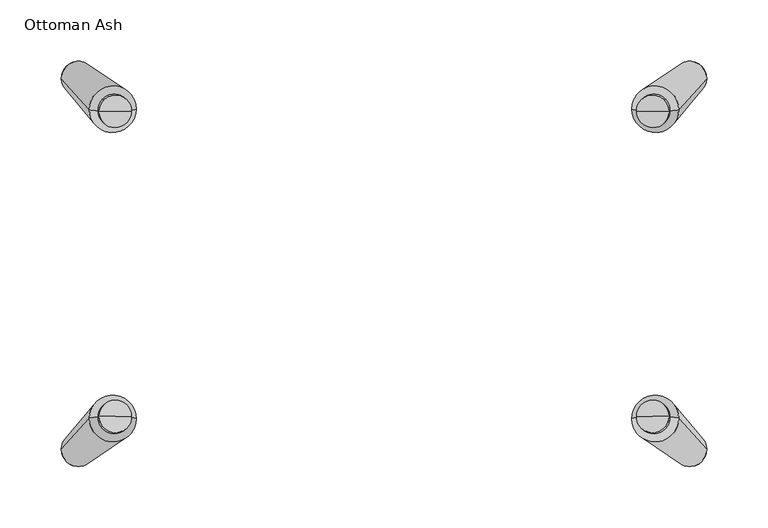
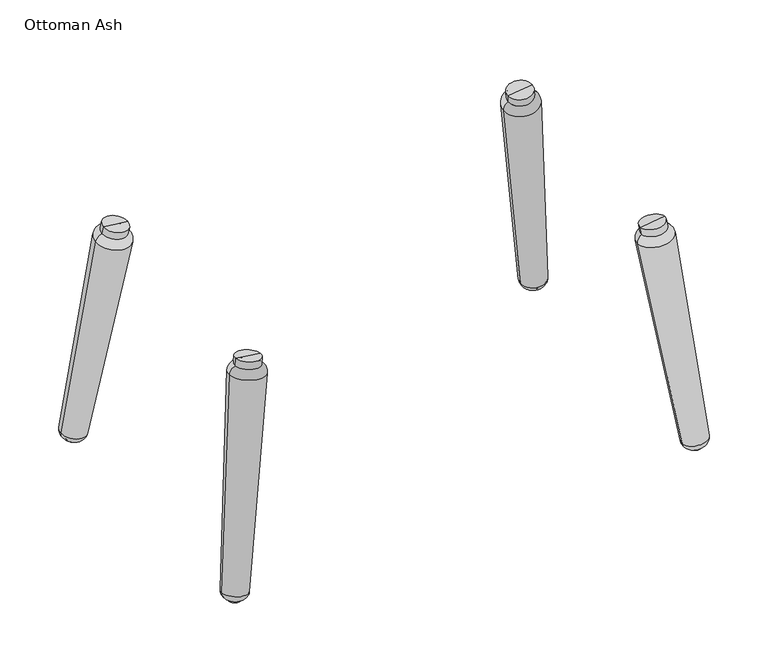
"""IFC4 building model written with IfcOpenShell, lengths in millimetres: furniture geometry, Ottoman Ash."""

from ifc_helpers import new_model, si_unit, point, frame, origin, place, context, project, spatial, circle_curve, ellipse_curve, trimmed, source, transform, mapped, element, save
from ifc_brep_helpers import plane_surface, cylinder_surface, revolved_surface, advanced_brep


def ottoman_ash_c302a8ca(model_context):
    return source(origin(), model_context, "Body", "AdvancedBrep", [
        advanced_brep(
        [(202.0126849, 126.4446062, 235.3753679), (239.9874045, 125.9223667, 240.0380771), (262.8022365, 151.2418299, 13.978389), (235.2484559, 151.6207576, 10.5952101), (206.7135706, 125.442583, 244.321729), (233.2368173, 125.0778275, 247.5783743), (205.7392558, 124.5648293, 252.1585748), (232.2625025, 124.2000738, 255.41522), (219.0008791, 124.3824515, 253.7868974), (242.3939543, 152.3749799, 3.8612891), (257.5208247, 152.1669507, 5.7186353), (250.5261831, 152.7833877, 0.2149029), (241.2346383, 152.3909231, 3.718943), (258.6801407, 152.1510075, 5.8609814)],
        [
            (0, 1, circle_curve(frame((221.0000447, 126.1834865, 237.7067225), z_axis=(0.12261994994802575, 0.1104674951840009, -0.9862866116816736), x_axis=(0.9924537006202072, -0.013648514506904514, 0.12185799184711342)), 19.1317336)),
            (1, 2, circle_curve(frame((-3442.8950304, 179.8243388, -241.2147416), z_axis=(0.0, 0.9937860184967025, 0.11130745455930816), x_axis=(-1.0000000000000002, 0.0, 0.0)), 3714.5837893)),
            (2, 3, circle_curve(frame((249.0253462, 151.4312937, 12.2867996), z_axis=(-0.12261994994802575, -0.1104674951840009, 0.9862866116816736), x_axis=(0.9924537006202072, -0.013648514506904514, 0.12185799184711342)), 13.8816453)),
            (3, 0, circle_curve(frame((3892.0102081, 78.9525697, 659.3983774), z_axis=(0.0, 0.9937860184967025, 0.11130745455930854), x_axis=(0.9699286957494875, -0.02709103746069511, 0.24187682991762907)), 3714.5837893)),
            (1, 0, circle_curve(frame((221.0000447, 126.1834865, 237.7067225), z_axis=(0.12261994994802575, 0.1104674951840009, -0.9862866116816736), x_axis=(0.9924537006202072, -0.013648514506904514, 0.12185799184711342)), 19.1317336)),
            (3, 2, circle_curve(frame((249.0253462, 151.4312937, 12.2867996), z_axis=(-0.12261994994802575, -0.1104674951840009, 0.9862866116816736), x_axis=(0.9924537006202072, -0.013648514506904514, 0.12185799184711342)), 13.8816453)),
            (4, 5, circle_curve(frame((219.9751939, 125.2602052, 245.9500516), z_axis=(0.12261994994802575, 0.1104674951840009, -0.9862866116816736), x_axis=(0.9924537006202072, -0.013648514506904514, 0.12185799184711342)), 13.3624605)),
            (5, 1, circle_curve(frame((231.0232737, 126.0535641, 238.8667084), z_axis=(0.0, 0.9937860184967025, 0.11130745455930816), x_axis=(-1.0000000000000002, 0.0, 0.0)), 9.0412918)),
            (0, 4, circle_curve(frame((210.9941338, 126.3290107, 236.4074393), z_axis=(0.0, 0.9937860184967025, 0.11130745455930854), x_axis=(0.9699286957494875, -0.02709103746069511, 0.24187682991762907)), 9.0412918)),
            (5, 4, circle_curve(frame((219.9751939, 125.2602052, 245.9500516), z_axis=(0.12261994994802575, 0.1104674951840009, -0.9862866116816736), x_axis=(0.9924537006202072, -0.013648514506904514, 0.12185799184711342)), 13.3624605)),
            (6, 7, circle_curve(frame((219.0008791, 124.3824515, 253.7868974), z_axis=(0.12261994994802575, 0.1104674951840009, -0.9862866116816736), x_axis=(0.9924537006202072, -0.013648514506904514, 0.12185799184711342)), 13.3624605)),
            (7, 5),
            (4, 6),
            (7, 6, circle_curve(frame((219.0008791, 124.3824515, 253.7868974), z_axis=(0.12261994994802575, 0.1104674951840009, -0.9862866116816736), x_axis=(0.9924537006202072, -0.013648514506904514, 0.12185799184711342)), 13.3624605)),
            (8, 7),
            (6, 8),
            (9, 10, circle_curve(frame((249.9573895, 152.2709653, 4.7899622), z_axis=(0.12261994994802575, 0.1104674951840009, -0.9862866116816736), x_axis=(0.9924537006202072, -0.013648514506904514, 0.12185799184711342)), 7.6209451)),
            (10, 11, circle_curve(frame((249.6006117, 151.8533965, 8.5181404), z_axis=(0.0, 0.9937860184967025, 0.11130745455930816), x_axis=(-1.0000000000000002, 0.0, 0.0)), 8.4062666)),
            (11, 9, circle_curve(frame((249.3903662, 151.8562879, 8.4923255), z_axis=(0.0, 0.9937860184967025, 0.11130745455930854), x_axis=(0.9699286957494875, -0.02709103746069511, 0.24187682991762907)), 8.4062666)),
            (10, 9, circle_curve(frame((249.9573895, 152.2709653, 4.7899622), z_axis=(0.12261994994802575, 0.1104674951840009, -0.9862866116816736), x_axis=(0.9924537006202072, -0.013648514506904514, 0.12185799184711342)), 7.6209451)),
            (12, 13, circle_curve(frame((249.9573895, 152.2709653, 4.7899622), z_axis=(0.12261994994802575, 0.1104674951840009, -0.9862866116816736), x_axis=(0.9924537006202072, -0.013648514506904514, 0.12185799184711342)), 8.7890762)),
            (13, 10),
            (9, 12),
            (13, 12, circle_curve(frame((249.9573895, 152.2709653, 4.7899622), z_axis=(0.12261994994802575, 0.1104674951840009, -0.9862866116816736), x_axis=(0.9924537006202072, -0.013648514506904514, 0.12185799184711342)), 8.7890762)),
            (2, 13, circle_curve(frame((253.8742775, 151.3106924, 13.3635644), z_axis=(0.0, 0.9937860184967025, 0.11130745455930816), x_axis=(-1.0000000000000002, 0.0, 0.0)), 8.9493688)),
            (12, 3, circle_curve(frame((244.0585169, 151.4456816, 12.1583405), z_axis=(0.0, 0.9937860184967025, 0.11130745455930854), x_axis=(0.9699286957494875, -0.02709103746069511, 0.24187682991762907)), 8.9493688)),
        ],
        [
            revolved_surface(trimmed(ellipse_curve(frame((-3442.8950304, 179.8243388, -241.2147416), z_axis=(0.0, -0.9937860184967025, -0.11130745455930816), x_axis=(-1.0000000000000002, 0.0, 0.0)), 3714.5837893, 3714.5837893), [point((262.8022365, 151.2418299, 13.978389))], [point((239.9874045, 125.9223667, 240.0380771))], True, "CARTESIAN"), (250.5261831, 152.7833877, 0.2149029), (-0.12261994994802575, -0.1104674951840009, 0.9862866116816736)),
            revolved_surface(trimmed(ellipse_curve(frame((-3442.8950304, 179.8243388, -241.2147416), z_axis=(0.0, -0.9937860184967022, -0.11130745455930813), x_axis=(-1.0000000000000002, 0.0, 0.0)), 3714.5837893, 3714.5837893), [point((262.8022365, 151.2418299, 13.978389))], [point((239.9874045, 125.9223667, 240.0380771))], True, "CARTESIAN"), (250.5261831, 152.7833877, 0.2149029), (-0.12261994994802575, -0.1104674951840009, 0.9862866116816736)),
            revolved_surface(trimmed(ellipse_curve(frame((231.0232737, 126.0535641, 238.8667084), z_axis=(0.0, -0.9937860184967025, -0.11130745455930816), x_axis=(-1.0000000000000002, 0.0, 0.0)), 9.0412918, 9.0412918), [point((239.9874045, 125.9223667, 240.0380771))], [point((233.2368173, 125.0778275, 247.5783743))], True, "CARTESIAN"), (250.5261831, 152.7833877, 0.2149029), (-0.12261994994802575, -0.1104674951840009, 0.9862866116816736)),
            revolved_surface(trimmed(ellipse_curve(frame((231.0232737, 126.0535641, 238.8667084), z_axis=(0.0, -0.9937860184967022, -0.11130745455930813), x_axis=(-1.0000000000000002, 0.0, 0.0)), 9.0412918, 9.0412918), [point((239.9874045, 125.9223667, 240.0380771))], [point((233.2368173, 125.0778275, 247.5783743))], True, "CARTESIAN"), (250.5261831, 152.7833877, 0.2149029), (-0.12261994994802575, -0.1104674951840009, 0.9862866116816736)),
            cylinder_surface(frame((250.5261831, 152.7833877, 0.2149029), z_axis=(-0.12261994994802575, -0.1104674951840009, 0.9862866116816736), x_axis=(0.9924537006202072, -0.013648514506904514, 0.12185799184711342)), 13.3624605),
            plane_surface(frame((219.0008791, 124.3824515, 253.7868974), z_axis=(-0.12261994994802577, -0.11046749518400091, 0.9862866116816739), x_axis=(0.9924537006202072, -0.013648514506904514, 0.12185799184711342))),
            revolved_surface(trimmed(ellipse_curve(frame((249.6006117, 151.8533965, 8.5181404), z_axis=(0.0, -0.9937860184967025, -0.11130745455930816), x_axis=(-1.0000000000000002, 0.0, 0.0)), 8.4062666, 8.4062666), [point((250.5261831, 152.7833877, 0.2149029))], [point((257.5208247, 152.1669507, 5.7186353))], True, "CARTESIAN"), (250.5261831, 152.7833877, 0.2149029), (-0.12261994994802575, -0.1104674951840009, 0.9862866116816736)),
            revolved_surface(trimmed(ellipse_curve(frame((249.6006117, 151.8533965, 8.5181404), z_axis=(0.0, -0.9937860184967022, -0.11130745455930813), x_axis=(-1.0000000000000002, 0.0, 0.0)), 8.4062666, 8.4062666), [point((250.5261831, 152.7833877, 0.2149029))], [point((257.5208247, 152.1669507, 5.7186353))], True, "CARTESIAN"), (250.5261831, 152.7833877, 0.2149029), (-0.12261994994802575, -0.1104674951840009, 0.9862866116816736)),
            plane_surface(frame((249.9573895, 152.2709653, 4.7899622), z_axis=(0.12261994994802577, 0.11046749518400091, -0.9862866116816739), x_axis=(0.9924537006202072, -0.013648514506904514, 0.12185799184711342))),
            revolved_surface(trimmed(ellipse_curve(frame((253.8742775, 151.3106924, 13.3635644), z_axis=(0.0, -0.9937860184967025, -0.11130745455930816), x_axis=(-1.0000000000000002, 0.0, 0.0)), 8.9493688, 8.9493688), [point((258.6801407, 152.1510075, 5.8609814))], [point((262.8022365, 151.2418299, 13.978389))], True, "CARTESIAN"), (250.5261831, 152.7833877, 0.2149029), (-0.12261994994802575, -0.1104674951840009, 0.9862866116816736)),
            revolved_surface(trimmed(ellipse_curve(frame((253.8742775, 151.3106924, 13.3635644), z_axis=(0.0, -0.9937860184967022, -0.11130745455930813), x_axis=(-1.0000000000000002, 0.0, 0.0)), 8.9493688, 8.9493688), [point((258.6801407, 152.1510075, 5.8609814))], [point((262.8022365, 151.2418299, 13.978389))], True, "CARTESIAN"), (250.5261831, 152.7833877, 0.2149029), (-0.12261994994802575, -0.1104674951840009, 0.9862866116816736)),
        ],
        [
            (0, [[1, 2, 3, 4]]),
            (1, [[5, -4, 6, -2]]),
            (2, [[7, 8, -1, 9]]),
            (3, [[10, -9, -5, -8]]),
            (4, [[11, 12, -7, 13]]),
            (4, [[14, -13, -10, -12]]),
            (5, [[15, -11, 16]]),
            (5, [[-16, -14, -15]]),
            (6, [[17, 18, 19]]),
            (7, [[20, -19, -18]]),
            (8, [[21, 22, -17, 23]]),
            (8, [[24, -23, -20, -22]]),
            (9, [[-3, 25, -21, 26]]),
            (10, [[-6, -26, -24, -25]]),
        ],
    ),
        advanced_brep(
        [(235.2484559, -151.6207576, 10.5952101), (262.8022365, -151.2418299, 13.978389), (239.9874045, -125.9223667, 240.0380771), (202.0126849, -126.4446062, 235.3753679), (233.2368173, -125.0778275, 247.5783743), (206.7135706, -125.442583, 244.321729), (232.2625025, -124.2000738, 255.41522), (205.7392558, -124.5648293, 252.1585748), (219.0008791, -124.3824515, 253.7868974), (250.5261831, -152.7833877, 0.2149029), (257.5208247, -152.1669507, 5.7186353), (242.3939543, -152.3749799, 3.8612891), (258.6801407, -152.1510075, 5.8609814), (241.2346383, -152.3909231, 3.718943)],
        [
            (0, 1, circle_curve(frame((249.0253462, -151.4312937, 12.2867996), z_axis=(-0.12261994994802575, 0.1104674951840009, 0.9862866116816736), x_axis=(0.9924537006202072, 0.013648514506904514, 0.12185799184711342)), 13.8816453)),
            (1, 2, circle_curve(frame((-3442.8950304, -179.8243388, -241.2147416), z_axis=(0.0, -0.9937860184967025, 0.11130745455930816), x_axis=(-1.0000000000000002, 0.0, 0.0)), 3714.5837893)),
            (2, 3, circle_curve(frame((221.0000447, -126.1834865, 237.7067225), z_axis=(0.12261994994802575, -0.1104674951840009, -0.9862866116816736), x_axis=(0.9924537006202072, 0.013648514506904514, 0.12185799184711342)), 19.1317336)),
            (3, 0, circle_curve(frame((3892.0102081, -78.9525697, 659.3983774), z_axis=(0.0, -0.9937860184967025, 0.11130745455930854), x_axis=(0.9699286957494875, 0.02709103746069511, 0.24187682991762907)), 3714.5837893)),
            (1, 0, circle_curve(frame((249.0253462, -151.4312937, 12.2867996), z_axis=(-0.12261994994802575, 0.1104674951840009, 0.9862866116816736), x_axis=(0.9924537006202072, 0.013648514506904514, 0.12185799184711342)), 13.8816453)),
            (3, 2, circle_curve(frame((221.0000447, -126.1834865, 237.7067225), z_axis=(0.12261994994802575, -0.1104674951840009, -0.9862866116816736), x_axis=(0.9924537006202072, 0.013648514506904514, 0.12185799184711342)), 19.1317336)),
            (2, 4, circle_curve(frame((231.0232737, -126.0535641, 238.8667084), z_axis=(0.0, -0.9937860184967025, 0.11130745455930816), x_axis=(-1.0000000000000002, 0.0, 0.0)), 9.0412918)),
            (4, 5, circle_curve(frame((219.9751939, -125.2602052, 245.9500516), z_axis=(0.12261994994802575, -0.1104674951840009, -0.9862866116816736), x_axis=(0.9924537006202072, 0.013648514506904514, 0.12185799184711342)), 13.3624605)),
            (5, 3, circle_curve(frame((210.9941338, -126.3290107, 236.4074393), z_axis=(0.0, -0.9937860184967025, 0.11130745455930854), x_axis=(0.9699286957494875, 0.02709103746069511, 0.24187682991762907)), 9.0412918)),
            (5, 4, circle_curve(frame((219.9751939, -125.2602052, 245.9500516), z_axis=(0.12261994994802575, -0.1104674951840009, -0.9862866116816736), x_axis=(0.9924537006202072, 0.013648514506904514, 0.12185799184711342)), 13.3624605)),
            (4, 6),
            (6, 7, circle_curve(frame((219.0008791, -124.3824515, 253.7868974), z_axis=(0.12261994994802575, -0.1104674951840009, -0.9862866116816736), x_axis=(0.9924537006202072, 0.013648514506904514, 0.12185799184711342)), 13.3624605)),
            (7, 5),
            (7, 6, circle_curve(frame((219.0008791, -124.3824515, 253.7868974), z_axis=(0.12261994994802575, -0.1104674951840009, -0.9862866116816736), x_axis=(0.9924537006202072, 0.013648514506904514, 0.12185799184711342)), 13.3624605)),
            (6, 8),
            (8, 7),
            (9, 10, circle_curve(frame((249.6006117, -151.8533965, 8.5181404), z_axis=(0.0, -0.9937860184967025, 0.11130745455930816), x_axis=(-1.0000000000000002, 0.0, 0.0)), 8.4062666)),
            (10, 11, circle_curve(frame((249.9573895, -152.2709653, 4.7899622), z_axis=(0.12261994994802575, -0.1104674951840009, -0.9862866116816736), x_axis=(0.9924537006202072, 0.013648514506904514, 0.12185799184711342)), 7.6209451)),
            (11, 9, circle_curve(frame((249.3903662, -151.8562879, 8.4923255), z_axis=(0.0, -0.9937860184967025, 0.11130745455930854), x_axis=(0.9699286957494875, 0.02709103746069511, 0.24187682991762907)), 8.4062666)),
            (11, 10, circle_curve(frame((249.9573895, -152.2709653, 4.7899622), z_axis=(0.12261994994802575, -0.1104674951840009, -0.9862866116816736), x_axis=(0.9924537006202072, 0.013648514506904514, 0.12185799184711342)), 7.6209451)),
            (10, 12),
            (12, 13, circle_curve(frame((249.9573895, -152.2709653, 4.7899622), z_axis=(0.12261994994802575, -0.1104674951840009, -0.9862866116816736), x_axis=(0.9924537006202072, 0.013648514506904514, 0.12185799184711342)), 8.7890762)),
            (13, 11),
            (13, 12, circle_curve(frame((249.9573895, -152.2709653, 4.7899622), z_axis=(0.12261994994802575, -0.1104674951840009, -0.9862866116816736), x_axis=(0.9924537006202072, 0.013648514506904514, 0.12185799184711342)), 8.7890762)),
            (12, 1, circle_curve(frame((253.8742775, -151.3106924, 13.3635644), z_axis=(0.0, -0.9937860184967025, 0.11130745455930816), x_axis=(-1.0000000000000002, 0.0, 0.0)), 8.9493688)),
            (0, 13, circle_curve(frame((244.0585169, -151.4456816, 12.1583405), z_axis=(0.0, -0.9937860184967025, 0.11130745455930854), x_axis=(0.9699286957494875, 0.02709103746069511, 0.24187682991762907)), 8.9493688)),
        ],
        [
            revolved_surface(trimmed(ellipse_curve(frame((-3442.8950304, -179.8243388, -241.2147416), z_axis=(0.0, 0.9937860184967025, -0.11130745455930816), x_axis=(-1.0000000000000002, 0.0, 0.0)), 3714.5837893, 3714.5837893), [point((239.9874045, -125.9223667, 240.0380771))], [point((262.8022365, -151.2418299, 13.978389))], True, "CARTESIAN"), (250.5261831, -152.7833877, 0.2149029), (0.12261994994802575, -0.1104674951840009, -0.9862866116816736)),
            revolved_surface(trimmed(ellipse_curve(frame((-3442.8950304, -179.8243388, -241.2147416), z_axis=(0.0, 0.9937860184967022, -0.11130745455930813), x_axis=(-1.0000000000000002, 0.0, 0.0)), 3714.5837893, 3714.5837893), [point((239.9874045, -125.9223667, 240.0380771))], [point((262.8022365, -151.2418299, 13.978389))], True, "CARTESIAN"), (250.5261831, -152.7833877, 0.2149029), (0.12261994994802575, -0.1104674951840009, -0.9862866116816736)),
            revolved_surface(trimmed(ellipse_curve(frame((231.0232737, -126.0535641, 238.8667084), z_axis=(0.0, 0.9937860184967025, -0.11130745455930816), x_axis=(-1.0000000000000002, 0.0, 0.0)), 9.0412918, 9.0412918), [point((233.2368173, -125.0778275, 247.5783743))], [point((239.9874045, -125.9223667, 240.0380771))], True, "CARTESIAN"), (250.5261831, -152.7833877, 0.2149029), (0.12261994994802575, -0.1104674951840009, -0.9862866116816736)),
            revolved_surface(trimmed(ellipse_curve(frame((231.0232737, -126.0535641, 238.8667084), z_axis=(0.0, 0.9937860184967022, -0.11130745455930813), x_axis=(-1.0000000000000002, 0.0, 0.0)), 9.0412918, 9.0412918), [point((233.2368173, -125.0778275, 247.5783743))], [point((239.9874045, -125.9223667, 240.0380771))], True, "CARTESIAN"), (250.5261831, -152.7833877, 0.2149029), (0.12261994994802575, -0.1104674951840009, -0.9862866116816736)),
            cylinder_surface(frame((250.5261831, -152.7833877, 0.2149029), z_axis=(0.12261994994802575, -0.1104674951840009, -0.9862866116816736), x_axis=(0.9924537006202072, 0.013648514506904514, 0.12185799184711342)), 13.3624605),
            plane_surface(frame((219.0008791, -124.3824515, 253.7868974), z_axis=(-0.12261994994802577, 0.11046749518400091, 0.9862866116816739), x_axis=(0.9924537006202072, 0.013648514506904514, 0.12185799184711342))),
            revolved_surface(trimmed(ellipse_curve(frame((249.6006117, -151.8533965, 8.5181404), z_axis=(0.0, 0.9937860184967025, -0.11130745455930816), x_axis=(-1.0000000000000002, 0.0, 0.0)), 8.4062666, 8.4062666), [point((257.5208247, -152.1669507, 5.7186353))], [point((250.5261831, -152.7833877, 0.2149029))], True, "CARTESIAN"), (250.5261831, -152.7833877, 0.2149029), (0.12261994994802575, -0.1104674951840009, -0.9862866116816736)),
            revolved_surface(trimmed(ellipse_curve(frame((249.6006117, -151.8533965, 8.5181404), z_axis=(0.0, 0.9937860184967022, -0.11130745455930813), x_axis=(-1.0000000000000002, 0.0, 0.0)), 8.4062666, 8.4062666), [point((257.5208247, -152.1669507, 5.7186353))], [point((250.5261831, -152.7833877, 0.2149029))], True, "CARTESIAN"), (250.5261831, -152.7833877, 0.2149029), (0.12261994994802575, -0.1104674951840009, -0.9862866116816736)),
            plane_surface(frame((249.9573895, -152.2709653, 4.7899622), z_axis=(0.12261994994802577, -0.11046749518400091, -0.9862866116816739), x_axis=(0.9924537006202072, 0.013648514506904514, 0.12185799184711342))),
            revolved_surface(trimmed(ellipse_curve(frame((253.8742775, -151.3106924, 13.3635644), z_axis=(0.0, 0.9937860184967025, -0.11130745455930816), x_axis=(-1.0000000000000002, 0.0, 0.0)), 8.9493688, 8.9493688), [point((262.8022365, -151.2418299, 13.978389))], [point((258.6801407, -152.1510075, 5.8609814))], True, "CARTESIAN"), (250.5261831, -152.7833877, 0.2149029), (0.12261994994802575, -0.1104674951840009, -0.9862866116816736)),
            revolved_surface(trimmed(ellipse_curve(frame((253.8742775, -151.3106924, 13.3635644), z_axis=(0.0, 0.9937860184967022, -0.11130745455930813), x_axis=(-1.0000000000000002, 0.0, 0.0)), 8.9493688, 8.9493688), [point((262.8022365, -151.2418299, 13.978389))], [point((258.6801407, -152.1510075, 5.8609814))], True, "CARTESIAN"), (250.5261831, -152.7833877, 0.2149029), (0.12261994994802575, -0.1104674951840009, -0.9862866116816736)),
        ],
        [
            (0, [[1, 2, 3, 4]]),
            (1, [[5, -4, 6, -2]]),
            (2, [[-3, 7, 8, 9]]),
            (3, [[-6, -9, 10, -7]]),
            (4, [[-8, 11, 12, 13]]),
            (4, [[-10, -13, 14, -11]]),
            (5, [[-12, 15, 16]]),
            (5, [[-14, -16, -15]]),
            (6, [[17, 18, 19]]),
            (7, [[-19, 20, -17]]),
            (8, [[-18, 21, 22, 23]]),
            (8, [[-20, -23, 24, -21]]),
            (9, [[-22, 25, -1, 26]]),
            (10, [[-24, -26, -5, -25]]),
        ],
    ),
        advanced_brep(
        [(-235.2484559, 151.6207576, 10.5952101), (-262.8022365, 151.2418299, 13.978389), (-239.9874045, 125.9223667, 240.0380771), (-202.0126849, 126.4446062, 235.3753679), (-233.2368173, 125.0778275, 247.5783743), (-206.7135706, 125.442583, 244.321729), (-232.2625025, 124.2000738, 255.41522), (-205.7392558, 124.5648293, 252.1585748), (-219.0008791, 124.3824515, 253.7868974), (-250.5261831, 152.7833877, 0.2149029), (-257.5208247, 152.1669507, 5.7186353), (-242.3939543, 152.3749799, 3.8612891), (-258.6801407, 152.1510075, 5.8609814), (-241.2346383, 152.3909231, 3.718943)],
        [
            (0, 1, circle_curve(frame((-249.0253462, 151.4312937, 12.2867996), z_axis=(0.12261994994802575, -0.1104674951840009, 0.9862866116816736), x_axis=(-0.9924537006202072, -0.013648514506904514, 0.12185799184711342)), 13.8816453)),
            (1, 2, circle_curve(frame((3442.8950304, 179.8243388, -241.2147416), z_axis=(0.0, 0.9937860184967025, 0.11130745455930816), x_axis=(1.0000000000000002, 0.0, 0.0)), 3714.5837893)),
            (2, 3, circle_curve(frame((-221.0000447, 126.1834865, 237.7067225), z_axis=(-0.12261994994802575, 0.1104674951840009, -0.9862866116816736), x_axis=(-0.9924537006202072, -0.013648514506904514, 0.12185799184711342)), 19.1317336)),
            (3, 0, circle_curve(frame((-3892.0102081, 78.9525697, 659.3983774), z_axis=(0.0, 0.9937860184967025, 0.11130745455930854), x_axis=(-0.9699286957494875, -0.02709103746069511, 0.24187682991762907)), 3714.5837893)),
            (1, 0, circle_curve(frame((-249.0253462, 151.4312937, 12.2867996), z_axis=(0.12261994994802575, -0.1104674951840009, 0.9862866116816736), x_axis=(-0.9924537006202072, -0.013648514506904514, 0.12185799184711342)), 13.8816453)),
            (3, 2, circle_curve(frame((-221.0000447, 126.1834865, 237.7067225), z_axis=(-0.12261994994802575, 0.1104674951840009, -0.9862866116816736), x_axis=(-0.9924537006202072, -0.013648514506904514, 0.12185799184711342)), 19.1317336)),
            (2, 4, circle_curve(frame((-231.0232737, 126.0535641, 238.8667084), z_axis=(0.0, 0.9937860184967025, 0.11130745455930816), x_axis=(1.0000000000000002, 0.0, 0.0)), 9.0412918)),
            (4, 5, circle_curve(frame((-219.9751939, 125.2602052, 245.9500516), z_axis=(-0.12261994994802575, 0.1104674951840009, -0.9862866116816736), x_axis=(-0.9924537006202072, -0.013648514506904514, 0.12185799184711342)), 13.3624605)),
            (5, 3, circle_curve(frame((-210.9941338, 126.3290107, 236.4074393), z_axis=(0.0, 0.9937860184967025, 0.11130745455930854), x_axis=(-0.9699286957494875, -0.02709103746069511, 0.24187682991762907)), 9.0412918)),
            (5, 4, circle_curve(frame((-219.9751939, 125.2602052, 245.9500516), z_axis=(-0.12261994994802575, 0.1104674951840009, -0.9862866116816736), x_axis=(-0.9924537006202072, -0.013648514506904514, 0.12185799184711342)), 13.3624605)),
            (4, 6),
            (6, 7, circle_curve(frame((-219.0008791, 124.3824515, 253.7868974), z_axis=(-0.12261994994802575, 0.1104674951840009, -0.9862866116816736), x_axis=(-0.9924537006202072, -0.013648514506904514, 0.12185799184711342)), 13.3624605)),
            (7, 5),
            (7, 6, circle_curve(frame((-219.0008791, 124.3824515, 253.7868974), z_axis=(-0.12261994994802575, 0.1104674951840009, -0.9862866116816736), x_axis=(-0.9924537006202072, -0.013648514506904514, 0.12185799184711342)), 13.3624605)),
            (6, 8),
            (8, 7),
            (9, 10, circle_curve(frame((-249.6006117, 151.8533965, 8.5181404), z_axis=(0.0, 0.9937860184967025, 0.11130745455930816), x_axis=(1.0000000000000002, 0.0, 0.0)), 8.4062666)),
            (10, 11, circle_curve(frame((-249.9573895, 152.2709653, 4.7899622), z_axis=(-0.12261994994802575, 0.1104674951840009, -0.9862866116816736), x_axis=(-0.9924537006202072, -0.013648514506904514, 0.12185799184711342)), 7.6209451)),
            (11, 9, circle_curve(frame((-249.3903662, 151.8562879, 8.4923255), z_axis=(0.0, 0.9937860184967025, 0.11130745455930854), x_axis=(-0.9699286957494875, -0.02709103746069511, 0.24187682991762907)), 8.4062666)),
            (11, 10, circle_curve(frame((-249.9573895, 152.2709653, 4.7899622), z_axis=(-0.12261994994802575, 0.1104674951840009, -0.9862866116816736), x_axis=(-0.9924537006202072, -0.013648514506904514, 0.12185799184711342)), 7.6209451)),
            (10, 12),
            (12, 13, circle_curve(frame((-249.9573895, 152.2709653, 4.7899622), z_axis=(-0.12261994994802575, 0.1104674951840009, -0.9862866116816736), x_axis=(-0.9924537006202072, -0.013648514506904514, 0.12185799184711342)), 8.7890762)),
            (13, 11),
            (13, 12, circle_curve(frame((-249.9573895, 152.2709653, 4.7899622), z_axis=(-0.12261994994802575, 0.1104674951840009, -0.9862866116816736), x_axis=(-0.9924537006202072, -0.013648514506904514, 0.12185799184711342)), 8.7890762)),
            (12, 1, circle_curve(frame((-253.8742775, 151.3106924, 13.3635644), z_axis=(0.0, 0.9937860184967025, 0.11130745455930816), x_axis=(1.0000000000000002, 0.0, 0.0)), 8.9493688)),
            (0, 13, circle_curve(frame((-244.0585169, 151.4456816, 12.1583405), z_axis=(0.0, 0.9937860184967025, 0.11130745455930854), x_axis=(-0.9699286957494875, -0.02709103746069511, 0.24187682991762907)), 8.9493688)),
        ],
        [
            revolved_surface(trimmed(ellipse_curve(frame((3442.8950304, 179.8243388, -241.2147416), z_axis=(0.0, -0.9937860184967025, -0.11130745455930816), x_axis=(1.0000000000000002, 0.0, 0.0)), 3714.5837893, 3714.5837893), [point((-239.9874045, 125.9223667, 240.0380771))], [point((-262.8022365, 151.2418299, 13.978389))], True, "CARTESIAN"), (-250.5261831, 152.7833877, 0.2149029), (-0.12261994994802575, 0.1104674951840009, -0.9862866116816736)),
            revolved_surface(trimmed(ellipse_curve(frame((3442.8950304, 179.8243388, -241.2147416), z_axis=(0.0, -0.9937860184967022, -0.11130745455930813), x_axis=(1.0000000000000002, 0.0, 0.0)), 3714.5837893, 3714.5837893), [point((-239.9874045, 125.9223667, 240.0380771))], [point((-262.8022365, 151.2418299, 13.978389))], True, "CARTESIAN"), (-250.5261831, 152.7833877, 0.2149029), (-0.12261994994802575, 0.1104674951840009, -0.9862866116816736)),
            revolved_surface(trimmed(ellipse_curve(frame((-231.0232737, 126.0535641, 238.8667084), z_axis=(0.0, -0.9937860184967025, -0.11130745455930816), x_axis=(1.0000000000000002, 0.0, 0.0)), 9.0412918, 9.0412918), [point((-233.2368173, 125.0778275, 247.5783743))], [point((-239.9874045, 125.9223667, 240.0380771))], True, "CARTESIAN"), (-250.5261831, 152.7833877, 0.2149029), (-0.12261994994802575, 0.1104674951840009, -0.9862866116816736)),
            revolved_surface(trimmed(ellipse_curve(frame((-231.0232737, 126.0535641, 238.8667084), z_axis=(0.0, -0.9937860184967022, -0.11130745455930813), x_axis=(1.0000000000000002, 0.0, 0.0)), 9.0412918, 9.0412918), [point((-233.2368173, 125.0778275, 247.5783743))], [point((-239.9874045, 125.9223667, 240.0380771))], True, "CARTESIAN"), (-250.5261831, 152.7833877, 0.2149029), (-0.12261994994802575, 0.1104674951840009, -0.9862866116816736)),
            cylinder_surface(frame((-250.5261831, 152.7833877, 0.2149029), z_axis=(-0.12261994994802575, 0.1104674951840009, -0.9862866116816736), x_axis=(-0.9924537006202072, -0.013648514506904514, 0.12185799184711342)), 13.3624605),
            plane_surface(frame((-219.0008791, 124.3824515, 253.7868974), z_axis=(0.12261994994802577, -0.11046749518400091, 0.9862866116816739), x_axis=(-0.9924537006202072, -0.013648514506904514, 0.12185799184711342))),
            revolved_surface(trimmed(ellipse_curve(frame((-249.6006117, 151.8533965, 8.5181404), z_axis=(0.0, -0.9937860184967025, -0.11130745455930816), x_axis=(1.0000000000000002, 0.0, 0.0)), 8.4062666, 8.4062666), [point((-257.5208247, 152.1669507, 5.7186353))], [point((-250.5261831, 152.7833877, 0.2149029))], True, "CARTESIAN"), (-250.5261831, 152.7833877, 0.2149029), (-0.12261994994802575, 0.1104674951840009, -0.9862866116816736)),
            revolved_surface(trimmed(ellipse_curve(frame((-249.6006117, 151.8533965, 8.5181404), z_axis=(0.0, -0.9937860184967022, -0.11130745455930813), x_axis=(1.0000000000000002, 0.0, 0.0)), 8.4062666, 8.4062666), [point((-257.5208247, 152.1669507, 5.7186353))], [point((-250.5261831, 152.7833877, 0.2149029))], True, "CARTESIAN"), (-250.5261831, 152.7833877, 0.2149029), (-0.12261994994802575, 0.1104674951840009, -0.9862866116816736)),
            plane_surface(frame((-249.9573895, 152.2709653, 4.7899622), z_axis=(-0.12261994994802577, 0.11046749518400091, -0.9862866116816739), x_axis=(-0.9924537006202072, -0.013648514506904514, 0.12185799184711342))),
            revolved_surface(trimmed(ellipse_curve(frame((-253.8742775, 151.3106924, 13.3635644), z_axis=(0.0, -0.9937860184967025, -0.11130745455930816), x_axis=(1.0000000000000002, 0.0, 0.0)), 8.9493688, 8.9493688), [point((-262.8022365, 151.2418299, 13.978389))], [point((-258.6801407, 152.1510075, 5.8609814))], True, "CARTESIAN"), (-250.5261831, 152.7833877, 0.2149029), (-0.12261994994802575, 0.1104674951840009, -0.9862866116816736)),
            revolved_surface(trimmed(ellipse_curve(frame((-253.8742775, 151.3106924, 13.3635644), z_axis=(0.0, -0.9937860184967022, -0.11130745455930813), x_axis=(1.0000000000000002, 0.0, 0.0)), 8.9493688, 8.9493688), [point((-262.8022365, 151.2418299, 13.978389))], [point((-258.6801407, 152.1510075, 5.8609814))], True, "CARTESIAN"), (-250.5261831, 152.7833877, 0.2149029), (-0.12261994994802575, 0.1104674951840009, -0.9862866116816736)),
        ],
        [
            (0, [[1, 2, 3, 4]]),
            (1, [[5, -4, 6, -2]]),
            (2, [[-3, 7, 8, 9]]),
            (3, [[-6, -9, 10, -7]]),
            (4, [[-8, 11, 12, 13]]),
            (4, [[-10, -13, 14, -11]]),
            (5, [[-12, 15, 16]]),
            (5, [[-14, -16, -15]]),
            (6, [[17, 18, 19]]),
            (7, [[-19, 20, -17]]),
            (8, [[-18, 21, 22, 23]]),
            (8, [[-20, -23, 24, -21]]),
            (9, [[-22, 25, -1, 26]]),
            (10, [[-24, -26, -5, -25]]),
        ],
    ),
        advanced_brep(
        [(-202.0126849, -126.4446062, 235.3753679), (-239.9874045, -125.9223667, 240.0380771), (-262.8022365, -151.2418299, 13.978389), (-235.2484559, -151.6207576, 10.5952101), (-206.7135706, -125.442583, 244.321729), (-233.2368173, -125.0778275, 247.5783743), (-205.7392558, -124.5648293, 252.1585748), (-232.2625025, -124.2000738, 255.41522), (-219.0008791, -124.3824515, 253.7868974), (-242.3939543, -152.3749799, 3.8612891), (-257.5208247, -152.1669507, 5.7186353), (-250.5261831, -152.7833877, 0.2149029), (-241.2346383, -152.3909231, 3.718943), (-258.6801407, -152.1510075, 5.8609814)],
        [
            (0, 1, circle_curve(frame((-221.0000447, -126.1834865, 237.7067225), z_axis=(-0.12261994994802576, -0.11046749518400091, -0.9862866116816738), x_axis=(-0.9924537006202071, 0.013648514506904512, 0.1218579918471134)), 19.1317336)),
            (1, 2, circle_curve(frame((3442.8950304, -179.8243388, -241.2147416), z_axis=(0.0, -0.9937860184967022, 0.11130745455930813), x_axis=(1.0, 0.0, 0.0)), 3714.5837893)),
            (2, 3, circle_curve(frame((-249.0253462, -151.4312937, 12.2867996), z_axis=(0.12261994994802576, 0.11046749518400091, 0.9862866116816738), x_axis=(-0.9924537006202071, 0.013648514506904512, 0.1218579918471134)), 13.8816453)),
            (3, 0, circle_curve(frame((-3892.0102081, -78.9525697, 659.3983774), z_axis=(0.0, -0.9937860184967022, 0.11130745455930852), x_axis=(-0.9699286957494873, 0.027091037460695102, 0.24187682991762902)), 3714.5837893)),
            (1, 0, circle_curve(frame((-221.0000447, -126.1834865, 237.7067225), z_axis=(-0.12261994994802576, -0.11046749518400091, -0.9862866116816738), x_axis=(-0.9924537006202071, 0.013648514506904512, 0.1218579918471134)), 19.1317336)),
            (3, 2, circle_curve(frame((-249.0253462, -151.4312937, 12.2867996), z_axis=(0.12261994994802576, 0.11046749518400091, 0.9862866116816738), x_axis=(-0.9924537006202071, 0.013648514506904512, 0.1218579918471134)), 13.8816453)),
            (4, 5, circle_curve(frame((-219.9751939, -125.2602052, 245.9500516), z_axis=(-0.12261994994802576, -0.11046749518400091, -0.9862866116816738), x_axis=(-0.9924537006202071, 0.013648514506904512, 0.1218579918471134)), 13.3624605)),
            (5, 1, circle_curve(frame((-231.0232737, -126.0535641, 238.8667084), z_axis=(0.0, -0.9937860184967022, 0.11130745455930813), x_axis=(1.0, 0.0, 0.0)), 9.0412918)),
            (0, 4, circle_curve(frame((-210.9941338, -126.3290107, 236.4074393), z_axis=(0.0, -0.9937860184967022, 0.11130745455930852), x_axis=(-0.9699286957494873, 0.027091037460695102, 0.24187682991762902)), 9.0412918)),
            (5, 4, circle_curve(frame((-219.9751939, -125.2602052, 245.9500516), z_axis=(-0.12261994994802576, -0.11046749518400091, -0.9862866116816738), x_axis=(-0.9924537006202071, 0.013648514506904512, 0.1218579918471134)), 13.3624605)),
            (6, 7, circle_curve(frame((-219.0008791, -124.3824515, 253.7868974), z_axis=(-0.12261994994802576, -0.11046749518400091, -0.9862866116816738), x_axis=(-0.9924537006202071, 0.013648514506904512, 0.1218579918471134)), 13.3624605)),
            (7, 5),
            (4, 6),
            (7, 6, circle_curve(frame((-219.0008791, -124.3824515, 253.7868974), z_axis=(-0.12261994994802576, -0.11046749518400091, -0.9862866116816738), x_axis=(-0.9924537006202071, 0.013648514506904512, 0.1218579918471134)), 13.3624605)),
            (8, 7),
            (6, 8),
            (9, 10, circle_curve(frame((-249.9573895, -152.2709653, 4.7899622), z_axis=(-0.12261994994802576, -0.11046749518400091, -0.9862866116816738), x_axis=(-0.9924537006202071, 0.013648514506904512, 0.1218579918471134)), 7.6209451)),
            (10, 11, circle_curve(frame((-249.6006117, -151.8533965, 8.5181404), z_axis=(0.0, -0.9937860184967022, 0.11130745455930813), x_axis=(1.0, 0.0, 0.0)), 8.4062666)),
            (11, 9, circle_curve(frame((-249.3903662, -151.8562879, 8.4923255), z_axis=(0.0, -0.9937860184967022, 0.11130745455930852), x_axis=(-0.9699286957494873, 0.027091037460695102, 0.24187682991762902)), 8.4062666)),
            (10, 9, circle_curve(frame((-249.9573895, -152.2709653, 4.7899622), z_axis=(-0.12261994994802576, -0.11046749518400091, -0.9862866116816738), x_axis=(-0.9924537006202071, 0.013648514506904512, 0.1218579918471134)), 7.6209451)),
            (12, 13, circle_curve(frame((-249.9573895, -152.2709653, 4.7899622), z_axis=(-0.12261994994802576, -0.11046749518400091, -0.9862866116816738), x_axis=(-0.9924537006202071, 0.013648514506904512, 0.1218579918471134)), 8.7890762)),
            (13, 10),
            (9, 12),
            (13, 12, circle_curve(frame((-249.9573895, -152.2709653, 4.7899622), z_axis=(-0.12261994994802576, -0.11046749518400091, -0.9862866116816738), x_axis=(-0.9924537006202071, 0.013648514506904512, 0.1218579918471134)), 8.7890762)),
            (2, 13, circle_curve(frame((-253.8742775, -151.3106924, 13.3635644), z_axis=(0.0, -0.9937860184967022, 0.11130745455930813), x_axis=(1.0, 0.0, 0.0)), 8.9493688)),
            (12, 3, circle_curve(frame((-244.0585169, -151.4456816, 12.1583405), z_axis=(0.0, -0.9937860184967022, 0.11130745455930852), x_axis=(-0.9699286957494873, 0.027091037460695102, 0.24187682991762902)), 8.9493688)),
        ],
        [
            revolved_surface(trimmed(ellipse_curve(frame((3442.8950304, -179.8243388, -241.2147416), z_axis=(0.0, 0.9937860184967022, -0.11130745455930813), x_axis=(1.0, 0.0, 0.0)), 3714.5837893, 3714.5837893), [point((-262.8022365, -151.2418299, 13.978389))], [point((-239.9874045, -125.9223667, 240.0380771))], True, "CARTESIAN"), (-250.5261831, -152.7833877, 0.2149029), (0.12261994994802573, 0.11046749518400088, 0.9862866116816735)),
            revolved_surface(trimmed(ellipse_curve(frame((-231.0232737, -126.0535641, 238.8667084), z_axis=(0.0, 0.9937860184967022, -0.11130745455930813), x_axis=(1.0, 0.0, 0.0)), 9.0412918, 9.0412918), [point((-239.9874045, -125.9223667, 240.0380771))], [point((-233.2368173, -125.0778275, 247.5783743))], True, "CARTESIAN"), (-250.5261831, -152.7833877, 0.2149029), (0.12261994994802573, 0.11046749518400088, 0.9862866116816735)),
            cylinder_surface(frame((-250.5261831, -152.7833877, 0.2149029), z_axis=(0.12261994994802573, 0.11046749518400088, 0.9862866116816735), x_axis=(-0.9924537006202071, 0.013648514506904512, 0.1218579918471134)), 13.3624605),
            plane_surface(frame((-219.0008791, -124.3824515, 253.7868974), z_axis=(0.12261994994802577, 0.1104674951840009, 0.9862866116816738), x_axis=(-0.9924537006202071, 0.013648514506904512, 0.1218579918471134))),
            revolved_surface(trimmed(ellipse_curve(frame((-249.6006117, -151.8533965, 8.5181404), z_axis=(0.0, 0.9937860184967022, -0.11130745455930813), x_axis=(1.0, 0.0, 0.0)), 8.4062666, 8.4062666), [point((-250.5261831, -152.7833877, 0.2149029))], [point((-257.5208247, -152.1669507, 5.7186353))], True, "CARTESIAN"), (-250.5261831, -152.7833877, 0.2149029), (0.12261994994802573, 0.11046749518400088, 0.9862866116816735)),
            plane_surface(frame((-249.9573895, -152.2709653, 4.7899622), z_axis=(-0.12261994994802577, -0.1104674951840009, -0.9862866116816738), x_axis=(-0.9924537006202071, 0.013648514506904512, 0.1218579918471134))),
            revolved_surface(trimmed(ellipse_curve(frame((-253.8742775, -151.3106924, 13.3635644), z_axis=(0.0, 0.9937860184967022, -0.11130745455930813), x_axis=(1.0, 0.0, 0.0)), 8.9493688, 8.9493688), [point((-258.6801407, -152.1510075, 5.8609814))], [point((-262.8022365, -151.2418299, 13.978389))], True, "CARTESIAN"), (-250.5261831, -152.7833877, 0.2149029), (0.12261994994802573, 0.11046749518400088, 0.9862866116816735)),
        ],
        [
            (0, [[1, 2, 3, 4]]),
            (0, [[5, -4, 6, -2]]),
            (1, [[7, 8, -1, 9]]),
            (1, [[10, -9, -5, -8]]),
            (2, [[11, 12, -7, 13]]),
            (2, [[14, -13, -10, -12]]),
            (3, [[15, -11, 16]]),
            (3, [[-16, -14, -15]]),
            (4, [[17, 18, 19]]),
            (4, [[20, -19, -18]]),
            (5, [[21, 22, -17, 23]]),
            (5, [[24, -23, -20, -22]]),
            (6, [[-3, 25, -21, 26]]),
            (6, [[-6, -26, -24, -25]]),
        ],
    ),
    ])


if __name__ == "__main__":
    model = new_model("IFC4")
    model_context = context("Model", 3, world=origin())
    ifc_project = project(units=[si_unit("LENGTHUNIT", "METRE", prefix="MILLI")], contexts=[model_context])
    site = spatial("IfcSite", under=ifc_project)
    building = spatial("IfcBuilding", under=site)
    placement = place(None, origin())
    ottoman_ash_shape = ottoman_ash_c302a8ca(model_context)
    element("IfcFurniture", 1, ObjectType="Ottoman Ash", at=placement, inside=building, context=model_context, shape_type="MappedRepresentation", body=[
        mapped(ottoman_ash_shape, transform((0.0, 0.0, 0.0), x_axis=(1.0, 0.0, 0.0), y_axis=(0.0, 1.0, 0.0), z_axis=(0.0, 0.0, 1.0))),
    ])
    save(model, "model.ifc")
